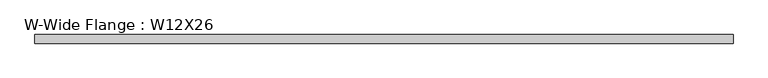
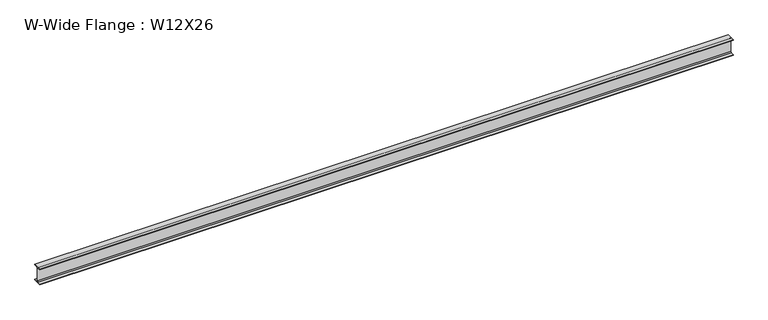
"""IFC4 building model written with IfcOpenShell, lengths in millimetres: beam geometry, W-Wide Flange : W12X26."""

from ifc_helpers import new_model, si_unit, point, frame, frame_2d, origin, place, context, project, spatial, polyline, circle_curve, trimmed, segment, composite_curve, outline, extrude, source, transform, mapped, element, save


def w_wide_flange_w12x26_36bc9e5b(model_context):
    return source(origin(), model_context, "Body", "SweptSolid", [
        extrude(outline(composite_curve([segment(polyline([(82.4011719, -145.5539063), (82.4011719, -155.178125), (-82.4011719, -155.178125), (-82.4011719, -145.5539063), (-20.2902344, -145.5539063)]), True, "CONTINUOUS"), segment(trimmed(circle_curve(frame_2d((-20.2902344, -128.190625)), 17.3632812), [point((-20.2902344, -145.5539063))], [point((-2.9269531, -128.190625))], True, "CARTESIAN"), True, "CONTINUOUS"), segment(polyline([(-2.9269531, -128.190625), (-2.9269531, 128.190625)]), True, "CONTINUOUS"), segment(trimmed(circle_curve(frame_2d((-20.2902344, 128.190625)), 17.3632812), [point((-2.9269531, 128.190625))], [point((-20.2902344, 145.5539062))], True, "CARTESIAN"), True, "CONTINUOUS"), segment(polyline([(-20.2902344, 145.5539062), (-82.4011719, 145.5539062), (-82.4011719, 155.178125), (82.4011719, 155.178125), (82.4011719, 145.5539062), (20.2902344, 145.5539062)]), True, "CONTINUOUS"), segment(trimmed(circle_curve(frame_2d((20.2902344, 128.190625)), 17.3632812), [point((20.2902344, 145.5539062))], [point((2.9269531, 128.190625))], True, "CARTESIAN"), True, "CONTINUOUS"), segment(polyline([(2.9269531, 128.190625), (2.9269531, -128.190625)]), True, "CONTINUOUS"), segment(trimmed(circle_curve(frame_2d((20.2902344, -128.190625)), 17.3632812), [point((2.9269531, -128.190625))], [point((20.2902344, -145.5539063))], True, "CARTESIAN"), True, "CONTINUOUS"), segment(polyline([(20.2902344, -145.5539063), (82.4011719, -145.5539063)]), True, "CONTINUOUS")], self_intersect=False)), frame((-6670.8545977, 0.0, 0.0), z_axis=(1.0, 0.0, 0.0), x_axis=(0.0, 1.0, 0.0)), (0.0, 0.0, 1.0), 13341.7091954),
    ])


if __name__ == "__main__":
    model = new_model("IFC4")
    model_context = context("Model", 3, world=origin())
    ifc_project = project(units=[si_unit("LENGTHUNIT", "METRE", prefix="MILLI")], contexts=[model_context])
    site = spatial("IfcSite", under=ifc_project)
    building = spatial("IfcBuilding", under=site)
    placement = place(None, origin())
    w_wide_flange_w12x26_shape = w_wide_flange_w12x26_36bc9e5b(model_context)
    element("IfcBeam", 1, ObjectType="W-Wide Flange : W12X26", at=placement, inside=building, context=model_context, shape_type="MappedRepresentation", body=[
        mapped(w_wide_flange_w12x26_shape, transform((0.0, 0.0, 0.0), x_axis=(1.0, 0.0, 0.0), y_axis=(0.0, 1.0, 0.0), z_axis=(0.0, 0.0, 1.0))),
    ])
    save(model, "model.ifc")
